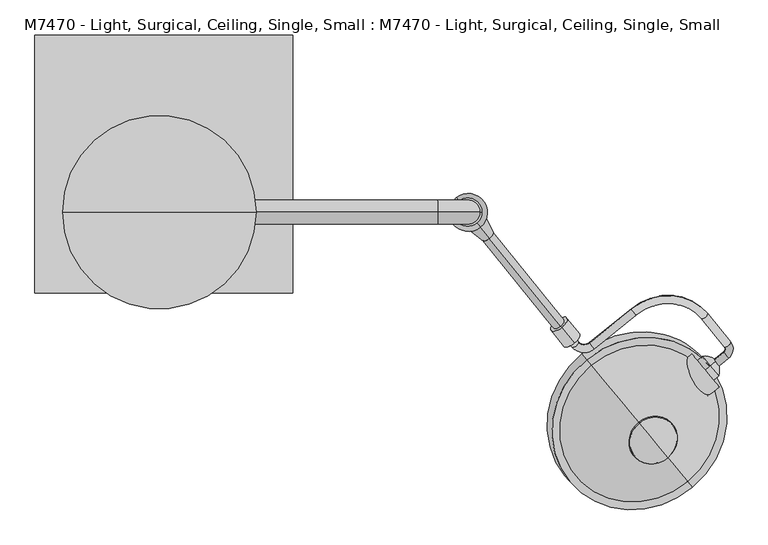
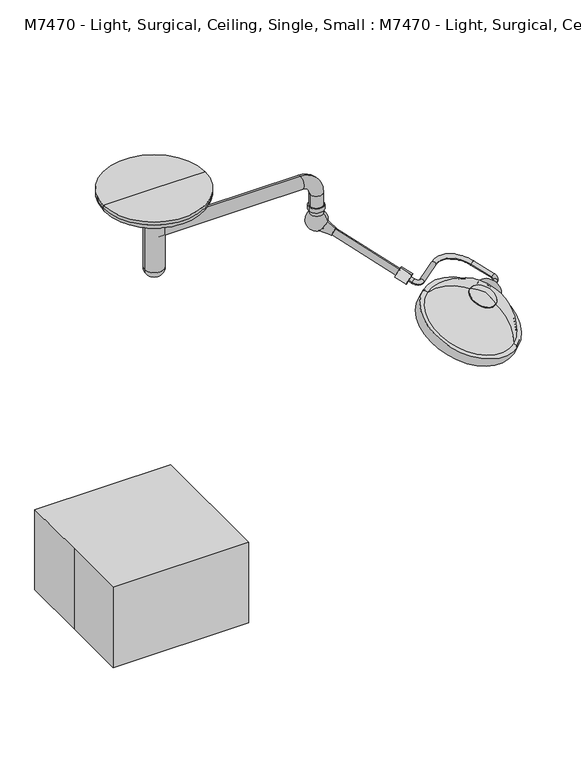
"""IFC4 building model written with IfcOpenShell, lengths in millimetres: proxy geometry, M7470 - Light, Surgical, Ceiling, Single, Small : M7470 - Light, Surgical, Ceiling, Single, Small."""

from ifc_helpers import new_model, si_unit, point, frame, frame_2d, origin, origin_with_axes, origin_2d, place, context, project, spatial, polyline, circle_curve, ellipse_curve, trimmed, segment, composite_curve, outline, extrude, source, transform, mapped, element, save
from ifc_brep_helpers import plane_surface, cylinder_surface, revolved_surface, advanced_brep


def m7470_light_surgical_ceiling_single_small_m7470_light_8515c7d7(model_context):
    return source(origin(), model_context, "Body", "SolidModel", [
        advanced_brep(
        [(1740.835031, -642.2802758, 1801.3604265), (1726.2322463, -624.2473385, 1811.6915373), (1777.4892739, -612.5982552, 1801.3604265), (1762.8864892, -594.5653179, 1811.6915373), (1765.4548505, -577.5564802, 1816.8570926), (1785.194358, -561.5717423, 1816.8570926), (1712.7149421, -472.0671177, 1868.1344952), (1692.9754347, -488.0518556, 1868.1344952), (1486.9216817, -475.7626592, 1930.1211596), (1472.318897, -457.7297218, 1940.4522704), (1340.6688003, -564.3378681, 1940.4522704), (1355.271585, -582.3708055, 1930.1211596), (1286.5870007, -578.2744067, 1950.7833811), (1306.3265081, -562.2896687, 1950.7833811), (1251.0372497, -494.0131207, 1989.8991704), (1231.2977423, -509.9978587, 1989.8991704)],
        [
            (0, 1, circle_curve(frame((1733.5336387, -633.2638072, 1806.5259819), z_axis=(-0.7771459614569791, -0.6293203910498274, 0.0), x_axis=(-0.5749127846454346, 0.7099581630143152, 0.4067366430758006)), 12.7)),
            (1, 0, circle_curve(frame((1733.5336387, -633.2638072, 1806.5259819), z_axis=(-0.7771459614569791, -0.6293203910498274, 0.0), x_axis=(-0.5749127846454346, 0.7099581630143152, 0.4067366430758006)), 12.7)),
            (0, 2),
            (2, 3, circle_curve(frame((1770.1878816, -603.5817865, 1806.5259819), z_axis=(-0.7771459614569791, -0.6293203910498274, 0.0), x_axis=(-0.5749127846454346, 0.7099581630143152, 0.4067366430758006)), 12.7)),
            (3, 1),
            (3, 2, circle_curve(frame((1770.1878816, -603.5817865, 1806.5259819), z_axis=(-0.7771459614569791, -0.6293203910498274, 0.0), x_axis=(-0.5749127846454346, 0.7099581630143152, 0.4067366430758006)), 12.7)),
            (4, 3, circle_curve(frame((1755.5850968, -585.5488492, 1816.8570926), z_axis=(-0.2559676632747577, 0.31609373954292624, -0.9135454576426008), x_axis=(0.5749127846454357, -0.7099581630143145, -0.4067366430758004)), 12.7)),
            (2, 5, circle_curve(frame((1755.5850968, -585.5488492, 1816.8570926), z_axis=(0.2559676632747577, -0.31609373954292624, 0.9135454576426008), x_axis=(0.5749127846454357, -0.7099581630143145, -0.4067366430758004)), 38.1)),
            (5, 4, circle_curve(frame((1775.3246043, -569.5641113, 1816.8570926), z_axis=(0.5749127846454273, -0.7099581630143211, -0.4067366430758006), x_axis=(-0.7771459614569844, -0.629320391049821, 0.0)), 12.7)),
            (4, 5, circle_curve(frame((1775.3246043, -569.5641113, 1816.8570926), z_axis=(0.5749127846454438, -0.7099581630143077, -0.4067366430758006), x_axis=(-0.7771459614569722, -0.6293203910498361, 0.0)), 12.7)),
            (5, 6),
            (6, 7, circle_curve(frame((1702.8451884, -480.0594867, 1868.1344952), z_axis=(0.5749127846454349, -0.7099581630143149, -0.4067366430758006), x_axis=(-0.7771459614569787, -0.6293203910498277, 0.0)), 12.7)),
            (7, 4),
            (7, 6, circle_curve(frame((1702.8451884, -480.0594867, 1868.1344952), z_axis=(0.5749127846454349, -0.7099581630143149, -0.4067366430758006), x_axis=(-0.7771459614569787, -0.6293203910498277, 0.0)), 12.7)),
            (8, 7, circle_curve(frame((1574.5383901, -583.9602832, 1868.1344952), z_axis=(-0.2559676632747577, 0.31609373954292624, -0.9135454576426008), x_axis=(0.7771459614569839, 0.6293203910498216, 0.0)), 152.4)),
            (6, 9, circle_curve(frame((1574.5383901, -583.9602832, 1868.1344952), z_axis=(0.2559676632747577, -0.31609373954292624, 0.9135454576426008), x_axis=(0.7771459614569839, 0.6293203910498216, 0.0)), 177.8)),
            (9, 8, circle_curve(frame((1479.6202894, -466.7461905, 1935.286715), z_axis=(0.7771459614569787, 0.6293203910498281, 0.0), x_axis=(0.5749127846454355, -0.7099581630143151, -0.4067366430758002)), 12.7)),
            (8, 9, circle_curve(frame((1479.6202894, -466.7461905, 1935.286715), z_axis=(0.7771459614569777, 0.6293203910498293, 0.0), x_axis=(0.5749127846454369, -0.709958163014314, -0.4067366430758002)), 12.7)),
            (9, 10),
            (10, 11, circle_curve(frame((1347.9701926, -573.3543368, 1935.286715), z_axis=(0.777145961456978, 0.629320391049829, 0.0), x_axis=(0.5749127846454363, -0.7099581630143141, -0.40673664307580015)), 12.7)),
            (11, 8),
            (11, 10, circle_curve(frame((1347.9701926, -573.3543368, 1935.286715), z_axis=(0.777145961456978, 0.629320391049829, 0.0), x_axis=(0.5749127846454363, -0.7099581630143141, -0.40673664307580015)), 12.7)),
            (12, 11, circle_curve(frame((1326.0660155, -546.3049308, 1950.7833811), z_axis=(0.2559676632747577, -0.31609373954292624, 0.9135454576426008), x_axis=(0.5749127846454407, -0.7099581630143105, -0.4067366430758004)), 50.8)),
            (10, 13, circle_curve(frame((1326.0660155, -546.3049308, 1950.7833811), z_axis=(-0.2559676632747577, 0.31609373954292624, -0.9135454576426008), x_axis=(0.5749127846454407, -0.7099581630143105, -0.4067366430758004)), 25.4)),
            (13, 12, circle_curve(frame((1296.4567544, -570.2820377, 1950.7833811), z_axis=(0.5749127846454324, -0.709958163014317, -0.40673664307580076), x_axis=(-0.7771459614569808, -0.6293203910498256, 0.0)), 12.7)),
            (12, 13, circle_curve(frame((1296.4567544, -570.2820377, 1950.7833811), z_axis=(0.5749127846454386, -0.709958163014312, -0.40673664307580076), x_axis=(-0.7771459614569762, -0.6293203910498313, 0.0)), 12.7)),
            (14, 15, circle_curve(frame((1241.167496, -502.0054897, 1989.8991704), z_axis=(-0.5749127846454376, 0.709958163014313, 0.40673664307580026), x_axis=(-0.7771459614569768, -0.6293203910498301, 0.0)), 12.7)),
            (15, 14, circle_curve(frame((1241.167496, -502.0054897, 1989.8991704), z_axis=(-0.5749127846454376, 0.709958163014313, 0.40673664307580026), x_axis=(-0.7771459614569768, -0.6293203910498301, 0.0)), 12.7)),
            (13, 14),
            (15, 12),
        ],
        [
            plane_surface(frame((1306.7585861, -106.2405083, 283.3710423), z_axis=(-0.7771459614569792, -0.6293203910498274, 0.0), x_axis=(0.2559676632747576, -0.3160937395429264, 0.9135454576426009))),
            cylinder_surface(frame((1733.5336387, -633.2638072, 1806.5259819), z_axis=(-0.7771459614569791, -0.6293203910498274, 0.0), x_axis=(-0.5749127846454346, 0.7099581630143152, 0.4067366430758006)), 12.7),
            revolved_surface(trimmed(ellipse_curve(frame((1770.1878816, -603.5817865, 1806.5259819), z_axis=(-0.7771459614569786, -0.6293203910498283, 0.0), x_axis=(-0.5749127846454356, 0.7099581630143144, 0.40673664307580065)), 12.7, 12.7), [point((1777.4892739, -612.5982552, 1801.3604265))], [point((1762.8864892, -594.5653179, 1811.6915373))], True, "CARTESIAN"), (1328.8100443, -58.5255503, 293.7021531), (0.25596766327475773, -0.3160937395429263, 0.913545457642601)),
            revolved_surface(trimmed(ellipse_curve(frame((1770.1878816, -603.5817865, 1806.5259819), z_axis=(-0.7771459614569786, -0.6293203910498283, 0.0), x_axis=(-0.5749127846454356, 0.7099581630143144, 0.40673664307580065)), 12.7, 12.7), [point((1762.8864892, -594.5653179, 1811.6915373))], [point((1777.4892739, -612.5982552, 1801.3604265))], True, "CARTESIAN"), (1328.8100443, -58.5255503, 293.7021531), (0.25596766327475773, -0.3160937395429263, 0.913545457642601)),
            cylinder_surface(frame((1775.3246043, -569.5641113, 1816.8570926), z_axis=(0.5749127846454349, -0.7099581630143149, -0.4067366430758006), x_axis=(-0.7771459614569787, -0.6293203910498277, 0.0)), 12.7),
            revolved_surface(trimmed(ellipse_curve(frame((1702.8451884, -480.0594867, 1868.1344952), z_axis=(0.5749127846454286, -0.7099581630143204, -0.4067366430758008), x_axis=(-0.7771459614569836, -0.629320391049822, 0.0)), 12.7, 12.7), [point((1712.7149421, -472.0671177, 1868.1344952))], [point((1692.9754347, -488.0518556, 1868.1344952))], True, "CARTESIAN"), (1147.7633376, -56.9369844, 344.9795556), (0.25596766327475773, -0.3160937395429263, 0.913545457642601)),
            revolved_surface(trimmed(ellipse_curve(frame((1702.8451884, -480.0594867, 1868.1344952), z_axis=(0.5749127846454286, -0.7099581630143204, -0.4067366430758008), x_axis=(-0.7771459614569836, -0.629320391049822, 0.0)), 12.7, 12.7), [point((1692.9754347, -488.0518556, 1868.1344952))], [point((1712.7149421, -472.0671177, 1868.1344952))], True, "CARTESIAN"), (1147.7633376, -56.9369844, 344.9795556), (0.25596766327475773, -0.3160937395429263, 0.913545457642601)),
            cylinder_surface(frame((1479.6202894, -466.7461905, 1935.286715), z_axis=(0.7771459614569778, 0.6293203910498288, 0.0), x_axis=(0.5749127846454363, -0.7099581630143141, -0.40673664307580015)), 12.7),
            revolved_surface(trimmed(ellipse_curve(frame((1347.9701926, -573.3543368, 1935.286715), z_axis=(0.7771459614569747, 0.6293203910498332, 0.0), x_axis=(0.5749127846454408, -0.7099581630143106, -0.4067366430758001)), 12.7, 12.7), [point((1340.6688003, -564.3378681, 1940.4522704))], [point((1355.271585, -582.3708055, 1930.1211596))], True, "CARTESIAN"), (899.290963, -19.2816319, 427.6284415), (-0.25596766327475773, 0.3160937395429263, -0.913545457642601)),
            revolved_surface(trimmed(ellipse_curve(frame((1347.9701926, -573.3543368, 1935.286715), z_axis=(0.7771459614569747, 0.6293203910498332, 0.0), x_axis=(0.5749127846454408, -0.7099581630143106, -0.4067366430758001)), 12.7, 12.7), [point((1355.271585, -582.3708055, 1930.1211596))], [point((1340.6688003, -564.3378681, 1940.4522704))], True, "CARTESIAN"), (899.290963, -19.2816319, 427.6284415), (-0.25596766327475773, 0.3160937395429263, -0.913545457642601)),
            plane_surface(frame((814.3924435, 25.0178092, 466.7442308), z_axis=(-0.5749127846454375, 0.7099581630143134, 0.40673664307580004), x_axis=(0.2559676632747577, -0.3160937395429258, 0.9135454576426011))),
            cylinder_surface(frame((1296.4567544, -570.2820377, 1950.7833811), z_axis=(0.5749127846454375, -0.7099581630143129, -0.40673664307580015), x_axis=(-0.7771459614569768, -0.6293203910498301, 0.0)), 12.7),
        ],
        [
            (0, [[1, 2]]),
            (1, [[-1, 3, 4, 5]]),
            (1, [[-2, -5, 6, -3]]),
            (2, [[7, -4, 8, 9]]),
            (3, [[-8, -6, -7, 10]]),
            (4, [[-9, 11, 12, 13]]),
            (4, [[-10, -13, 14, -11]]),
            (5, [[15, -12, 16, 17]]),
            (6, [[-16, -14, -15, 18]]),
            (7, [[-17, 19, 20, 21]]),
            (7, [[-18, -21, 22, -19]]),
            (8, [[23, -20, 24, 25]]),
            (9, [[-24, -22, -23, 26]]),
            (10, [[27, 28]]),
            (11, [[-25, 29, -28, 30]]),
            (11, [[-26, -30, -27, -29]]),
        ],
    ),
        advanced_brep(
        [(1721.261074, -637.7345795, 1763.693259), (1721.261074, -637.7345795, 1844.9108067), (1705.2225201, -651.0325107, 1844.9108067), (1705.2225201, -651.0325107, 1763.693259), (1741.0506282, -621.3266083, 1804.3020328), (1705.2225201, -651.0325107, 1804.3020328)],
        [
            (0, 1, circle_curve(frame((1721.261074, -637.7345795, 1804.3020328), z_axis=(-0.7698129796821993, -0.6382695169854298, 0.0), x_axis=(0.0, 0.0, 1.0)), 40.6087738)),
            (1, 2),
            (2, 3, circle_curve(frame((1705.2225201, -651.0325107, 1804.3020328), z_axis=(0.7698129796821993, 0.6382695169854298, 0.0), x_axis=(0.0, 0.0, 1.0)), 40.6087738)),
            (3, 0),
            (1, 0, circle_curve(frame((1721.261074, -637.7345795, 1804.3020328), z_axis=(-0.7698129796821993, -0.6382695169854298, 0.0), x_axis=(0.0, 0.0, 1.0)), 40.6087738)),
            (3, 2, circle_curve(frame((1705.2225201, -651.0325107, 1804.3020328), z_axis=(0.7698129796821993, 0.6382695169854298, 0.0), x_axis=(0.0, 0.0, 1.0)), 40.6087738)),
            (4, 1, circle_curve(frame((1698.880381, -656.290923, 1798.0653606), z_axis=(0.6382695169854297, -0.7698129796821994, 0.0), x_axis=(-0.7698129796821995, -0.6382695169854296, 0.0)), 55.1337385)),
            (0, 4, circle_curve(frame((1698.880381, -656.290923, 1810.5387051), z_axis=(0.6382695169854301, -0.769812979682199, 0.0), x_axis=(-0.7698129796821991, -0.63826951698543, 0.0)), 55.1337385)),
            (2, 5),
            (5, 3),
        ],
        [
            cylinder_surface(frame((1705.2225201, -651.0325107, 1804.3020328), z_axis=(0.7698129796821993, 0.6382695169854298, 0.0), x_axis=(0.0, 0.0, 1.0)), 40.6087738),
            revolved_surface(trimmed(ellipse_curve(frame((1698.880381, -656.290923, 1798.0653606), z_axis=(-0.6382695169854297, 0.7698129796821994, 0.0), x_axis=(-0.7698129796821995, -0.6382695169854296, 0.0)), 55.1337385, 55.1337385), [point((1721.261074, -637.7345795, 1844.9108067))], [point((1741.0506282, -621.3266083, 1804.3020328))], True, "CARTESIAN"), (1705.2225201, -651.0325107, 1804.3020328), (0.7698129796821993, 0.6382695169854298, 0.0)),
            revolved_surface(trimmed(ellipse_curve(frame((1698.880381, -656.290923, 1798.0653606), z_axis=(-0.6382695169854296, 0.7698129796821995, 0.0), x_axis=(-0.7698129796821996, -0.6382695169854294, 0.0)), 55.1337385, 55.1337385), [point((1721.261074, -637.7345795, 1844.9108067))], [point((1741.0506282, -621.3266083, 1804.3020328))], True, "CARTESIAN"), (1705.2225201, -651.0325107, 1804.3020328), (0.7698129796821993, 0.6382695169854298, 0.0)),
            plane_surface(frame((1705.2225201, -651.0325107, 1804.3020328), z_axis=(-0.7698129796821992, -0.6382695169854299, 0.0), x_axis=(0.0, 0.0, 1.0))),
        ],
        [
            (0, [[1, 2, 3, 4]]),
            (0, [[5, -4, 6, -2]]),
            (1, [[7, -1, 8]]),
            (2, [[-8, -5, -7]]),
            (3, [[-3, 9, 10]]),
            (3, [[-6, -10, -9]]),
        ],
    ),
        advanced_brep(
        [(1496.9081674, -817.6344001, 1984.2946884), (1587.2262401, -926.5664779, 1921.2927814), (1549.4769053, -881.037235, 1978.868084), (1495.0601272, -815.4054901, 1981.6876662), (1587.2262401, -926.5664779, 1917.3966478), (1545.2418093, -875.9293114, 1963.9650044)],
        [
            (0, 1, circle_curve(frame((1542.0672038, -872.100439, 1952.7937349), z_axis=(0.25960760071626565, -0.31311114715211635, 0.9135454576426013), x_axis=(0.5830882179937766, -0.7032591508229892, -0.4067366430757995)), 77.4480344)),
            (1, 2, circle_curve(frame((1480.1450063, -797.4164536, 1808.1205002), z_axis=(-0.7698129796821995, -0.6382695169854299, 0.0), x_axis=(-0.6382695169854299, 0.7698129796821994, 0.0)), 202.3711557)),
            (2, 0, circle_curve(frame((1514.8788649, -839.308749, 1783.8916913), z_axis=(-0.7698129796821976, -0.6382695169854321, 0.0), x_axis=(0.42708566892083927, -0.5151054258776686, -0.7431448254773932)), 202.3711557)),
            (1, 0, circle_curve(frame((1542.0672038, -872.100439, 1952.7937349), z_axis=(0.25960760071626565, -0.31311114715211635, 0.9135454576426013), x_axis=(0.5830882179937766, -0.7032591508229892, -0.4067366430757995)), 77.4480344)),
            (3, 4, circle_curve(frame((1541.1431837, -870.985984, 1949.542157), z_axis=(0.25960760071626565, -0.31311114715211635, 0.9135454576426013), x_axis=(0.5830882179937766, -0.7032591508229892, -0.4067366430757995)), 79.0327347)),
            (4, 1),
            (0, 3),
            (4, 3, circle_curve(frame((1541.1431837, -870.985984, 1949.542157), z_axis=(0.25960760071626565, -0.31311114715211635, 0.9135454576426013), x_axis=(0.5830882179937766, -0.7032591508229892, -0.4067366430757995)), 79.0327347)),
            (5, 4, circle_curve(frame((1462.5480105, -776.192824, 1711.2195886), z_axis=(0.7698129796821995, 0.6382695169854299, 0.0), x_axis=(-0.6382695169854299, 0.7698129796821994, 0.0)), 284.0173877)),
            (3, 5, circle_curve(frame((1480.6908648, -798.0748102, 1698.5639329), z_axis=(0.7698129796821976, 0.6382695169854321, 0.0), x_axis=(0.42708566892083927, -0.5151054258776686, -0.7431448254773932)), 284.0173877)),
        ],
        [
            revolved_surface(trimmed(ellipse_curve(frame((1480.1450063, -797.4164536, 1808.1205002), z_axis=(0.7698129796821995, 0.6382695169854299, 0.0), x_axis=(-0.6382695169854299, 0.7698129796821994, 0.0)), 202.3711557, 202.3711557), [point((1549.4769053, -881.037235, 1978.868084))], [point((1587.2262401, -926.5664779, 1921.2927814))], True, "CARTESIAN"), (1516.9910853, -841.8562852, 1864.5521965), (-0.25960760071626565, 0.31311114715211635, -0.9135454576426013)),
            revolved_surface(trimmed(ellipse_curve(frame((1480.1450063, -797.4164536, 1808.1205002), z_axis=(0.7698129796821993, 0.6382695169854298, 0.0), x_axis=(-0.6382695169854298, 0.7698129796821993, 0.0)), 202.3711557, 202.3711557), [point((1549.4769053, -881.037235, 1978.868084))], [point((1587.2262401, -926.5664779, 1921.2927814))], True, "CARTESIAN"), (1516.9910853, -841.8562852, 1864.5521965), (-0.25960760071626565, 0.31311114715211635, -0.9135454576426013)),
            revolved_surface(polyline([(1587.2262401, -926.5664779, 1921.2927814), (1587.2262401, -926.5664779, 1917.3966478)]), (1516.9910853, -841.8562852, 1864.5521965), (-0.25960760071626565, 0.31311114715211635, -0.9135454576426013)),
            revolved_surface(trimmed(ellipse_curve(frame((1462.5480105, -776.192824, 1711.2195886), z_axis=(-0.7698129796821995, -0.6382695169854299, 0.0), x_axis=(-0.6382695169854299, 0.7698129796821994, 0.0)), 284.0173877, 284.0173877), [point((1587.2262401, -926.5664779, 1917.3966478))], [point((1545.2418093, -875.9293114, 1963.9650044))], True, "CARTESIAN"), (1516.9910853, -841.8562852, 1864.5521965), (-0.25960760071626565, 0.31311114715211635, -0.9135454576426013)),
            revolved_surface(trimmed(ellipse_curve(frame((1462.5480105, -776.192824, 1711.2195886), z_axis=(-0.7698129796821993, -0.6382695169854298, 0.0), x_axis=(-0.6382695169854298, 0.7698129796821993, 0.0)), 284.0173877, 284.0173877), [point((1587.2262401, -926.5664779, 1917.3966478))], [point((1545.2418093, -875.9293114, 1963.9650044))], True, "CARTESIAN"), (1516.9910853, -841.8562852, 1864.5521965), (-0.25960760071626565, 0.31311114715211635, -0.9135454576426013)),
        ],
        [
            (0, [[1, 2, 3]]),
            (1, [[4, -3, -2]]),
            (2, [[5, 6, -1, 7]]),
            (2, [[8, -7, -4, -6]]),
            (3, [[9, -5, 10]]),
            (4, [[-10, -8, -9]]),
        ],
    ),
        advanced_brep(
        [(1448.7501126, -759.5512633, 1624.4158117), (1441.3448922, -750.6198721, 1629.5813671), (1456.1553329, -768.4826545, 1619.2502563), (1451.1647669, -762.4635632, 1609.2425198), (1439.9372961, -748.922179, 1617.0743086), (1445.5510315, -755.6928711, 1613.1584142)],
        [
            (0, 1),
            (1, 2, circle_curve(frame((1448.7501126, -759.5512633, 1624.4158117), z_axis=(0.2596076007162656, -0.31311114715211635, 0.9135454576426013), x_axis=(-0.5830882179937766, 0.7032591508229892, 0.40673664307579943)), 12.7)),
            (2, 0),
            (2, 1, circle_curve(frame((1448.7501126, -759.5512633, 1624.4158117), z_axis=(0.2596076007162656, -0.31311114715211635, 0.9135454576426013), x_axis=(-0.5830882179937766, 0.7032591508229892, 0.40673664307579943)), 12.7)),
            (3, 4, circle_curve(frame((1445.5510315, -755.6928711, 1613.1584142), z_axis=(-0.2596076007162656, 0.31311114715211635, -0.9135454576426013), x_axis=(-0.5830882179937766, 0.7032591508229892, 0.40673664307579943)), 9.6275919)),
            (4, 5),
            (5, 3),
            (4, 3, circle_curve(frame((1445.5510315, -755.6928711, 1613.1584142), z_axis=(-0.2596076007162656, 0.31311114715211635, -0.9135454576426013), x_axis=(-0.5830882179937766, 0.7032591508229892, 0.40673664307579943)), 9.6275919)),
            (1, 4),
            (3, 2),
        ],
        [
            plane_surface(frame((1448.7501126, -759.5512633, 1624.4158117), z_axis=(0.25960760071626565, -0.31311114715211635, 0.9135454576426012), x_axis=(-0.5830882179937766, 0.7032591508229892, 0.40673664307579943))),
            plane_surface(frame((1445.5510315, -755.6928711, 1613.1584142), z_axis=(-0.25960760071626565, 0.31311114715211635, -0.9135454576426012), x_axis=(-0.5830882179937766, 0.7032591508229892, 0.40673664307579943))),
            revolved_surface(polyline([(1439.9372961, -748.922179, 1617.0743086), (1441.3448922, -750.6198721, 1629.5813671)]), (1475.1262448, -791.3633558, 1717.2320302), (0.2596076007162656, -0.31311114715211635, 0.9135454576426013)),
        ],
        [
            (0, [[1, 2, 3]]),
            (0, [[-3, 4, -1]]),
            (1, [[5, 6, 7]]),
            (1, [[8, -7, -6]]),
            (2, [[-2, 9, -5, 10]]),
            (2, [[-4, -10, -8, -9]]),
        ],
    ),
        advanced_brep(
        [(1475.1262448, -791.3633558, 1717.2320302), (1464.0184142, -777.966269, 1724.9803632), (1486.2340754, -804.7604427, 1709.4836971), (1459.8579431, -772.9483501, 1616.6674786), (1437.642282, -746.1541765, 1632.1641447), (1448.7501126, -759.5512633, 1624.4158117)],
        [
            (0, 1),
            (1, 2, circle_curve(frame((1475.1262448, -791.3633558, 1717.2320302), z_axis=(0.2596076007162656, -0.31311114715211635, 0.9135454576426013), x_axis=(-0.5830882179937766, 0.7032591508229892, 0.40673664307579943)), 19.05)),
            (2, 0),
            (2, 1, circle_curve(frame((1475.1262448, -791.3633558, 1717.2320302), z_axis=(0.2596076007162656, -0.31311114715211635, 0.9135454576426013), x_axis=(-0.5830882179937766, 0.7032591508229892, 0.40673664307579943)), 19.05)),
            (3, 4, circle_curve(frame((1448.7501126, -759.5512633, 1624.4158117), z_axis=(-0.2596076007162656, 0.31311114715211635, -0.9135454576426013), x_axis=(-0.5830882179937766, 0.7032591508229892, 0.40673664307579943)), 19.05)),
            (4, 5),
            (5, 3),
            (4, 3, circle_curve(frame((1448.7501126, -759.5512633, 1624.4158117), z_axis=(-0.2596076007162656, 0.31311114715211635, -0.9135454576426013), x_axis=(-0.5830882179937766, 0.7032591508229892, 0.40673664307579943)), 19.05)),
            (1, 4),
            (3, 2),
        ],
        [
            plane_surface(frame((1475.1262448, -791.3633558, 1717.2320302), z_axis=(0.25960760071626565, -0.31311114715211635, 0.9135454576426012), x_axis=(-0.5830882179937766, 0.7032591508229892, 0.40673664307579943))),
            plane_surface(frame((1448.7501126, -759.5512633, 1624.4158117), z_axis=(-0.25960760071626565, 0.31311114715211635, -0.9135454576426012), x_axis=(-0.5830882179937766, 0.7032591508229892, 0.40673664307579943))),
            cylinder_surface(frame((1475.1262448, -791.3633558, 1717.2320302), z_axis=(0.2596076007162656, -0.31311114715211635, 0.9135454576426013), x_axis=(-0.5830882179937766, 0.7032591508229892, 0.40673664307579943)), 19.05),
        ],
        [
            (0, [[1, 2, 3]]),
            (0, [[-3, 4, -1]]),
            (1, [[5, 6, 7]]),
            (1, [[8, -7, -6]]),
            (2, [[-2, 9, -5, 10]]),
            (2, [[-4, -10, -8, -9]]),
        ],
    ),
        advanced_brep(
        [(1480.0717696, -797.3281232, 1734.6350712), (1454.1534983, -766.0682539, 1752.7145149), (1505.9900409, -828.5879925, 1716.5556274), (1501.0445161, -822.6232251, 1699.1525864), (1449.2079735, -760.1034866, 1735.311474), (1475.1262448, -791.3633558, 1717.2320302)],
        [
            (0, 1),
            (1, 2, circle_curve(frame((1480.0717696, -797.3281232, 1734.6350712), z_axis=(0.2596076007162652, -0.31311114715211585, 0.9135454576426016), x_axis=(-0.5830882179937769, 0.7032591508229895, 0.4067366430757988)), 44.45)),
            (2, 0),
            (2, 1, circle_curve(frame((1480.0717696, -797.3281232, 1734.6350712), z_axis=(0.2596076007162652, -0.31311114715211585, 0.9135454576426016), x_axis=(-0.5830882179937769, 0.7032591508229895, 0.4067366430757988)), 44.45)),
            (3, 4, circle_curve(frame((1475.1262448, -791.3633558, 1717.2320302), z_axis=(-0.2596076007162652, 0.31311114715211585, -0.9135454576426016), x_axis=(-0.5830882179937769, 0.7032591508229895, 0.4067366430757988)), 44.45)),
            (4, 5),
            (5, 3),
            (4, 3, circle_curve(frame((1475.1262448, -791.3633558, 1717.2320302), z_axis=(-0.2596076007162652, 0.31311114715211585, -0.9135454576426016), x_axis=(-0.5830882179937769, 0.7032591508229895, 0.4067366430757988)), 44.45)),
            (1, 4),
            (3, 2),
        ],
        [
            plane_surface(frame((1480.0717696, -797.3281232, 1734.6350712), z_axis=(0.25960760071626526, -0.31311114715211585, 0.9135454576426016), x_axis=(-0.5830882179937769, 0.7032591508229895, 0.4067366430757988))),
            plane_surface(frame((1475.1262448, -791.3633558, 1717.2320302), z_axis=(-0.25960760071626526, 0.31311114715211585, -0.9135454576426016), x_axis=(-0.5830882179937769, 0.7032591508229895, 0.4067366430757988))),
            cylinder_surface(frame((1480.0717696, -797.3281232, 1734.6350712), z_axis=(0.2596076007162652, -0.31311114715211585, 0.9135454576426016), x_axis=(-0.5830882179937769, 0.7032591508229895, 0.4067366430757988)), 44.45),
        ],
        [
            (0, [[1, 2, 3]]),
            (0, [[-3, 4, -1]]),
            (1, [[5, 6, 7]]),
            (1, [[8, -7, -6]]),
            (2, [[-2, 9, -5, 10]]),
            (2, [[-4, -10, -8, -9]]),
        ],
    ),
        advanced_brep(
        [(1483.0837441, -800.9608473, 1745.2340505), (1449.7602524, -760.7695868, 1768.4790497), (1516.4072357, -841.1521078, 1721.9890514), (1510.3832868, -833.8866596, 1713.4910927), (1449.7602524, -760.7695868, 1755.7790497), (1480.0717696, -797.3281232, 1734.6350712)],
        [
            (0, 1),
            (1, 2, circle_curve(frame((1483.0837441, -800.9608473, 1745.2340505), z_axis=(0.25960760071626576, -0.3131111471521165, 0.9135454576426012), x_axis=(-0.5830882179937765, 0.7032591508229892, 0.40673664307579965)), 57.15)),
            (2, 0),
            (2, 1, circle_curve(frame((1483.0837441, -800.9608473, 1745.2340505), z_axis=(0.25960760071626576, -0.3131111471521165, 0.9135454576426012), x_axis=(-0.5830882179937765, 0.7032591508229892, 0.40673664307579965)), 57.15)),
            (3, 4, circle_curve(frame((1480.0717696, -797.3281232, 1734.6350712), z_axis=(-0.25960760071626576, 0.3131111471521165, -0.9135454576426012), x_axis=(-0.5830882179937765, 0.7032591508229892, 0.40673664307579965)), 51.9844446)),
            (4, 5),
            (5, 3),
            (4, 3, circle_curve(frame((1480.0717696, -797.3281232, 1734.6350712), z_axis=(-0.25960760071626576, 0.3131111471521165, -0.9135454576426012), x_axis=(-0.5830882179937765, 0.7032591508229892, 0.40673664307579965)), 51.9844446)),
            (1, 4),
            (3, 2),
        ],
        [
            plane_surface(frame((1483.0837441, -800.9608473, 1745.2340505), z_axis=(0.25960760071626576, -0.3131111471521165, 0.9135454576426012), x_axis=(-0.5830882179937765, 0.7032591508229892, 0.40673664307579965))),
            plane_surface(frame((1480.0717696, -797.3281232, 1734.6350712), z_axis=(-0.25960760071626576, 0.3131111471521165, -0.9135454576426012), x_axis=(-0.5830882179937765, 0.7032591508229892, 0.40673664307579965))),
            revolved_surface(polyline([(1449.7602524, -760.7695868, 1755.7790497), (1449.7602524, -760.7695868, 1768.4790497)]), (1483.0837441, -800.9608473, 1745.2340505), (0.25960760071626576, -0.3131111471521165, 0.9135454576426012)),
        ],
        [
            (0, [[1, 2, 3]]),
            (0, [[-3, 4, -1]]),
            (1, [[5, 6, 7]]),
            (1, [[8, -7, -6]]),
            (2, [[-2, 9, -5, 10]]),
            (2, [[-4, -10, -8, -9]]),
        ],
    ),
        extrude(outline(composite_curve([segment(polyline([(-25.1937137, -4.6953206), (31.6273953, -132.317621)]), True, "CONTINUOUS"), segment(trimmed(circle_curve(frame_2d((0.0, -69.9387006)), 69.9387006), [point((31.6273953, -132.317621))], [point((-25.1937137, -4.6953206))], False, "CARTESIAN"), True, "CONTINUOUS")], self_intersect=False)), frame((1594.6393305, -649.6721512, 1800.6600142), z_axis=(0.7698129796821992, 0.6382695169854299, 0.0), x_axis=(0.0, 0.0, -1.0)), (0.0, 0.0, 1.0), 84.2600986),
        advanced_brep(
        [(1346.1133009, -635.7616294, 1903.3370584), (1649.727336, -1001.9486693, 1691.5492884), (1545.2465329, -875.9350086, 1963.9816266), (1350.1582608, -640.640231, 1900.5154726), (1645.6823761, -997.0700677, 1694.3708742), (1543.5949178, -873.9430057, 1958.1696802)],
        [
            (0, 1, circle_curve(frame((1497.9203184, -818.8551493, 1797.4431734), z_axis=(0.2596076007162657, -0.31311114715211646, 0.9135454576426013), x_axis=(0.5830882179937766, -0.7032591508229892, -0.4067366430757996)), 260.35)),
            (1, 2, circle_curve(frame((1455.7322005, -767.972317, 1694.318951), z_axis=(-0.7698129796821995, -0.6382695169854298, 0.0), x_axis=(-0.6382695169854299, 0.7698129796821995, 0.0)), 303.9518334)),
            (2, 0, circle_curve(frame((1477.2351085, -793.9068435, 1679.3194701), z_axis=(-0.7698129796821976, -0.6382695169854323, 0.0), x_axis=(0.4270856689208392, -0.5151054258776685, -0.7431448254773935)), 303.9518334)),
            (1, 0, circle_curve(frame((1497.9203184, -818.8551493, 1797.4431734), z_axis=(0.2596076007162657, -0.31311114715211646, 0.9135454576426013), x_axis=(0.5830882179937766, -0.7032591508229892, -0.4067366430757996)), 260.35)),
            (3, 4, circle_curve(frame((1497.9203184, -818.8551493, 1797.4431734), z_axis=(0.2596076007162657, -0.31311114715211646, 0.9135454576426013), x_axis=(0.5830882179937766, -0.7032591508229892, -0.4067366430757996)), 253.412868)),
            (4, 1),
            (0, 3),
            (4, 3, circle_curve(frame((1497.9203184, -818.8551493, 1797.4431734), z_axis=(0.2596076007162657, -0.31311114715211646, 0.9135454576426013), x_axis=(0.5830882179937766, -0.7032591508229892, -0.4067366430757996)), 253.412868)),
            (5, 4, circle_curve(frame((1455.7322005, -767.972317, 1694.318951), z_axis=(0.7698129796821995, 0.6382695169854298, 0.0), x_axis=(-0.6382695169854299, 0.7698129796821995, 0.0)), 297.6018334)),
            (3, 5, circle_curve(frame((1477.2351085, -793.9068435, 1679.3194701), z_axis=(0.7698129796821976, 0.6382695169854323, 0.0), x_axis=(0.4270856689208392, -0.5151054258776685, -0.7431448254773935)), 297.6018334)),
        ],
        [
            revolved_surface(trimmed(ellipse_curve(frame((1455.7322005, -767.972317, 1694.318951), z_axis=(0.7698129796821995, 0.6382695169854298, 0.0), x_axis=(-0.6382695169854299, 0.7698129796821995, 0.0)), 303.9518334, 303.9518334), [point((1545.2465329, -875.9350086, 1963.9816266))], [point((1649.727336, -1001.9486693, 1691.5492884))], True, "CARTESIAN"), (1497.9203184, -818.8551493, 1797.4431734), (-0.2596076007162657, 0.31311114715211646, -0.9135454576426013)),
            revolved_surface(trimmed(ellipse_curve(frame((1455.7322005, -767.972317, 1694.318951), z_axis=(0.7698129796821995, 0.6382695169854299, 0.0), x_axis=(-0.6382695169854299, 0.7698129796821995, 0.0)), 303.9518334, 303.9518334), [point((1545.2465329, -875.9350086, 1963.9816266))], [point((1649.727336, -1001.9486693, 1691.5492884))], True, "CARTESIAN"), (1497.9203184, -818.8551493, 1797.4431734), (-0.2596076007162657, 0.31311114715211646, -0.9135454576426013)),
            plane_surface(frame((1497.9203184, -818.8551493, 1797.4431734), z_axis=(-0.25960760071626576, 0.31311114715211646, -0.9135454576426012), x_axis=(0.5830882179937766, -0.7032591508229892, -0.4067366430757996))),
            revolved_surface(trimmed(ellipse_curve(frame((1455.7322005, -767.972317, 1694.318951), z_axis=(-0.7698129796821995, -0.6382695169854298, 0.0), x_axis=(-0.6382695169854299, 0.7698129796821995, 0.0)), 297.6018334, 297.6018334), [point((1645.6823761, -997.0700677, 1694.3708742))], [point((1543.5949178, -873.9430057, 1958.1696802))], True, "CARTESIAN"), (1497.9203184, -818.8551493, 1797.4431734), (-0.2596076007162657, 0.31311114715211646, -0.9135454576426013)),
            revolved_surface(trimmed(ellipse_curve(frame((1455.7322005, -767.972317, 1694.318951), z_axis=(-0.7698129796821995, -0.6382695169854299, 0.0), x_axis=(-0.6382695169854299, 0.7698129796821995, 0.0)), 297.6018334, 297.6018334), [point((1645.6823761, -997.0700677, 1694.3708742))], [point((1543.5949178, -873.9430057, 1958.1696802))], True, "CARTESIAN"), (1497.9203184, -818.8551493, 1797.4431734), (-0.2596076007162657, 0.31311114715211646, -0.9135454576426013)),
        ],
        [
            (0, [[1, 2, 3]]),
            (1, [[4, -3, -2]]),
            (2, [[5, 6, -1, 7]]),
            (2, [[8, -7, -4, -6]]),
            (3, [[9, -5, 10]]),
            (4, [[-10, -8, -9]]),
        ],
    ),
        advanced_brep(
        [(1316.4662858, -600.0045449, 1861.4590463), (1649.7012024, -1001.9171496, 1629.0090547), (1664.5377767, -1019.8114517, 1681.2181777), (1331.3028602, -617.898847, 1913.6681692), (1320.168896, -604.4702405, 1858.8762686), (1645.9985922, -997.451454, 1631.5918324), (1333.3569621, -620.3762868, 1905.2843778), (1659.1866583, -1013.3575003, 1677.9999417), (1496.2718102, -816.8668936, 1791.6421598), (1497.9203184, -818.8551493, 1797.4431734)],
        [
            (0, 1, circle_curve(frame((1483.0837441, -800.9608473, 1745.2340505), z_axis=(0.2596076007162655, -0.3131111471521162, 0.9135454576426014), x_axis=(0.5830882179937767, -0.7032591508229893, -0.4067366430757992)), 285.75)),
            (1, 2),
            (2, 3, circle_curve(frame((1497.9203184, -818.8551493, 1797.4431734), z_axis=(-0.2596076007162655, 0.3131111471521162, -0.9135454576426014), x_axis=(0.5830882179937767, -0.7032591508229893, -0.4067366430757992)), 285.75)),
            (3, 0),
            (1, 0, circle_curve(frame((1483.0837441, -800.9608473, 1745.2340505), z_axis=(0.2596076007162655, -0.3131111471521162, 0.9135454576426014), x_axis=(0.5830882179937767, -0.7032591508229893, -0.4067366430757992)), 285.75)),
            (3, 2, circle_curve(frame((1497.9203184, -818.8551493, 1797.4431734), z_axis=(-0.2596076007162655, 0.3131111471521162, -0.9135454576426014), x_axis=(0.5830882179937767, -0.7032591508229893, -0.4067366430757992)), 285.75)),
            (4, 5, circle_curve(frame((1483.0837441, -800.9608473, 1745.2340505), z_axis=(0.2596076007162655, -0.3131111471521162, 0.9135454576426014), x_axis=(0.5830882179937767, -0.7032591508229893, -0.4067366430757992)), 279.4)),
            (5, 1),
            (0, 4),
            (5, 4, circle_curve(frame((1483.0837441, -800.9608473, 1745.2340505), z_axis=(0.2596076007162655, -0.3131111471521162, 0.9135454576426014), x_axis=(0.5830882179937767, -0.7032591508229893, -0.4067366430757992)), 279.4)),
            (6, 7, circle_curve(frame((1496.2718102, -816.8668936, 1791.6421598), z_axis=(0.2596076007162655, -0.3131111471521162, 0.9135454576426014), x_axis=(0.5830882179937767, -0.7032591508229893, -0.4067366430757992)), 279.4)),
            (7, 5),
            (4, 6),
            (7, 6, circle_curve(frame((1496.2718102, -816.8668936, 1791.6421598), z_axis=(0.2596076007162655, -0.3131111471521162, 0.9135454576426014), x_axis=(0.5830882179937767, -0.7032591508229893, -0.4067366430757992)), 279.4)),
            (8, 7),
            (6, 8),
            (2, 9),
            (9, 3),
        ],
        [
            cylinder_surface(frame((1483.0837441, -800.9608473, 1745.2340505), z_axis=(-0.2596076007162655, 0.3131111471521162, -0.9135454576426014), x_axis=(0.5830882179937767, -0.7032591508229893, -0.4067366430757992)), 285.75),
            plane_surface(frame((1483.0837441, -800.9608473, 1745.2340505), z_axis=(-0.2596076007162655, 0.3131111471521162, -0.9135454576426014), x_axis=(0.5830882179937767, -0.7032591508229893, -0.4067366430757992))),
            revolved_surface(polyline([(1645.9985921978723, -997.451454028378, 1631.5918323908784), (1659.1866583370233, -1013.3575003311619, 1677.9999417192307)]), (1483.0837441, -800.9608473, 1745.2340505), (-0.2596076007162655, 0.3131111471521162, -0.9135454576426014)),
            plane_surface(frame((1496.2718102, -816.8668936, 1791.6421598), z_axis=(-0.2596076007162655, 0.3131111471521162, -0.9135454576426014), x_axis=(0.5830882179937767, -0.7032591508229893, -0.4067366430757992))),
            plane_surface(frame((1497.9203184, -818.8551493, 1797.4431734), z_axis=(0.2596076007162655, -0.3131111471521162, 0.9135454576426014), x_axis=(0.5830882179937767, -0.7032591508229893, -0.4067366430757992))),
        ],
        [
            (0, [[1, 2, 3, 4]]),
            (0, [[5, -4, 6, -2]]),
            (1, [[7, 8, -1, 9]]),
            (1, [[10, -9, -5, -8]]),
            (2, [[11, 12, -7, 13]]),
            (2, [[14, -13, -10, -12]]),
            (3, [[15, -11, 16]]),
            (3, [[-16, -14, -15]]),
            (4, [[-3, 17, 18]]),
            (4, [[-6, -18, -17]]),
        ],
    ),
        advanced_brep(
        [(1235.7366669, -495.2989743, 1958.9919398), (1252.6252723, -516.1546651, 2016.5424843), (1244.1809696, -505.7268197, 1987.767212), (1275.5761712, -544.4966648, 1929.4720542), (1292.4647766, -565.3523556, 1987.0225987), (1284.0204739, -554.9245102, 1958.2473264)],
        [
            (0, 1, circle_curve(frame((1244.1809696, -505.7268197, 1987.767212), z_axis=(-0.5703579709494108, 0.7043334365325427, 0.42261826174069883), x_axis=(0.265962289743456, -0.32843607534975183, 0.9063077870366504)), 31.75)),
            (1, 2),
            (2, 0),
            (1, 0, circle_curve(frame((1244.1809696, -505.7268197, 1987.767212), z_axis=(-0.5703579709494108, 0.7043334365325427, 0.42261826174069883), x_axis=(0.265962289743456, -0.32843607534975183, 0.9063077870366504)), 31.75)),
            (3, 4, circle_curve(frame((1284.0204739, -554.9245102, 1958.2473264), z_axis=(-0.5703579709494108, 0.7043334365325427, 0.42261826174069883), x_axis=(0.265962289743456, -0.32843607534975183, 0.9063077870366504)), 31.75)),
            (4, 1),
            (0, 3),
            (4, 3, circle_curve(frame((1284.0204739, -554.9245102, 1958.2473264), z_axis=(-0.5703579709494108, 0.7043334365325427, 0.42261826174069883), x_axis=(0.265962289743456, -0.32843607534975183, 0.9063077870366504)), 31.75)),
            (5, 4),
            (3, 5),
        ],
        [
            plane_surface(frame((1244.1809696, -505.7268197, 1987.767212), z_axis=(-0.5703579709494109, 0.7043334365325429, 0.42261826174069894), x_axis=(0.265962289743456, -0.32843607534975183, 0.9063077870366504))),
            cylinder_surface(frame((1244.1809696, -505.7268197, 1987.767212), z_axis=(0.5703579709494108, -0.7043334365325427, -0.42261826174069883), x_axis=(0.265962289743456, -0.32843607534975183, 0.9063077870366504)), 31.75),
            plane_surface(frame((1284.0204739, -554.9245102, 1958.2473264), z_axis=(0.5703579709494109, -0.7043334365325429, -0.42261826174069894), x_axis=(0.265962289743456, -0.32843607534975183, 0.9063077870366504))),
        ],
        [
            (0, [[1, 2, 3]]),
            (0, [[4, -3, -2]]),
            (1, [[5, 6, -1, 7]]),
            (1, [[8, -7, -4, -6]]),
            (2, [[9, -5, 10]]),
            (2, [[-10, -8, -9]]),
        ],
    ),
        extrude(outline(composite_curve([segment(trimmed(circle_curve(origin_2d(), 20.2288163), [point((0.0, -20.2288163))], [point((0.0, 20.2288163))], False, "CARTESIAN"), True, "CONTINUOUS"), segment(trimmed(circle_curve(origin_2d(), 20.2288163), [point((0.0, 20.2288163))], [point((0.0, -20.2288163))], False, "CARTESIAN"), True, "CONTINUOUS")], self_intersect=False)), frame((1244.1809696, -505.7268197, 1987.767212), z_axis=(-0.5703579709494108, 0.7043334365325428, 0.4226182617406986), x_axis=(0.777145961456977, 0.62932039104983, 0.0)), (0.0, 0.0, 1.0), 393.7),
        advanced_brep(
        [(976.8515115, -175.602432, 2183.0066897), (967.849194, -164.4854957, 2149.3066358), (985.8538291, -186.7193684, 2216.7067436), (1024.9063629, -234.9452313, 2173.9001347), (1014.35571, -221.9162601, 2134.4039086), (1019.6310364, -228.4307457, 2154.1520217)],
        [
            (0, 1),
            (1, 2, circle_curve(frame((976.8515115, -175.602432, 2183.0066897), z_axis=(-0.5792924743379562, 0.7153666293621104, 0.3907311284892742), x_axis=(-0.24589506657621132, 0.3036551185209666, -0.9205048534524403)), 36.6104033)),
            (2, 0),
            (2, 1, circle_curve(frame((976.8515115, -175.602432, 2183.0066897), z_axis=(-0.5792924743379562, 0.7153666293621104, 0.3907311284892742), x_axis=(-0.24589506657621132, 0.3036551185209666, -0.9205048534524403)), 36.6104033)),
            (3, 4, circle_curve(frame((1019.6310364, -228.4307457, 2154.1520217), z_axis=(0.5792924743379562, -0.7153666293621104, -0.3907311284892742), x_axis=(-0.24589506657621132, 0.3036551185209666, -0.9205048534524403)), 21.4535676)),
            (4, 5),
            (5, 3),
            (4, 3, circle_curve(frame((1019.6310364, -228.4307457, 2154.1520217), z_axis=(0.5792924743379562, -0.7153666293621104, -0.3907311284892742), x_axis=(-0.24589506657621132, 0.3036551185209666, -0.9205048534524403)), 21.4535676)),
            (1, 4),
            (3, 2),
        ],
        [
            plane_surface(frame((976.8515115, -175.602432, 2183.0066897), z_axis=(-0.5792924743379563, 0.7153666293621104, 0.3907311284892742), x_axis=(-0.24589506657621132, 0.3036551185209666, -0.9205048534524403))),
            plane_surface(frame((1019.6310364, -228.4307457, 2154.1520217), z_axis=(0.5792924743379563, -0.7153666293621104, -0.3907311284892742), x_axis=(-0.24589506657621132, 0.3036551185209666, -0.9205048534524403))),
            revolved_surface(polyline([(1014.35571, -221.9162601, 2134.4039086), (967.849194, -164.4854957, 2149.3066358)]), (990.2029787, -192.0901209, 2174.001163), (-0.579292474337956, 0.7153666293621103, 0.3907311284892741)),
        ],
        [
            (0, [[1, 2, 3]]),
            (0, [[-3, 4, -1]]),
            (1, [[5, 6, 7]]),
            (1, [[8, -7, -6]]),
            (2, [[-2, 9, -5, 10]]),
            (2, [[-4, -10, -8, -9]]),
        ],
    ),
        advanced_brep(
        [(959.0523183, -153.6222589, 2277.562195), (935.0752114, -124.0129978, 2277.562195), (983.0294252, -183.23152, 2277.562195), (983.0294252, -183.23152, 2251.7869575), (935.0752114, -124.0129978, 2251.7869575), (959.0523183, -153.6222589, 2145.7286543)],
        [
            (0, 1),
            (1, 2, circle_curve(frame((959.0523183, -153.6222589, 2277.562195), z_axis=(0.0, 0.0, 1.0), x_axis=(-0.6293203910498301, 0.777145961456977, 0.0)), 38.1)),
            (2, 0),
            (2, 1, circle_curve(frame((959.0523183, -153.6222589, 2277.562195), z_axis=(0.0, 0.0, 1.0), x_axis=(-0.6293203910498301, 0.777145961456977, 0.0)), 38.1)),
            (3, 4, circle_curve(frame((959.0523183, -153.6222589, 2251.7869575), z_axis=(0.0, 0.0, -1.0), x_axis=(-0.6293203910498301, 0.777145961456977, 0.0)), 38.1)),
            (4, 5, circle_curve(frame((959.0523183, -153.6222589, 2205.6012588), z_axis=(-0.7771459614569771, -0.62932039104983, 0.0), x_axis=(-0.62932039104983, 0.7771459614569771, 0.0)), 59.8726045)),
            (5, 3, circle_curve(frame((959.0523183, -153.6222589, 2205.6012588), z_axis=(-0.7771459614569791, -0.6293203910498274, 0.0), x_axis=(0.6293203910498274, -0.7771459614569791, 0.0)), 59.8726045)),
            (4, 3, circle_curve(frame((959.0523183, -153.6222589, 2251.7869575), z_axis=(0.0, 0.0, -1.0), x_axis=(-0.6293203910498301, 0.777145961456977, 0.0)), 38.1)),
            (1, 4),
            (3, 2),
        ],
        [
            plane_surface(frame((959.0523183, -153.6222589, 2277.562195), z_axis=(0.0, 0.0, 1.0000000000000002), x_axis=(-0.6293203910498301, 0.777145961456977, 0.0))),
            revolved_surface(trimmed(ellipse_curve(frame((959.0523183, -153.6222589, 2205.6012588), z_axis=(0.7771459614569771, 0.62932039104983, 0.0), x_axis=(-0.62932039104983, 0.7771459614569771, 0.0)), 59.8726045, 59.8726045), [point((959.0523183, -153.6222589, 2145.7286543))], [point((935.0752114, -124.0129978, 2251.7869575))], True, "CARTESIAN"), (959.0523183, -153.6222589, 2277.562195), (0.0, 0.0, 1.0)),
            cylinder_surface(frame((959.0523183, -153.6222589, 2277.562195), z_axis=(0.0, 0.0, 1.0), x_axis=(-0.6293203910498301, 0.777145961456977, 0.0)), 38.1),
        ],
        [
            (0, [[1, 2, 3]]),
            (0, [[-3, 4, -1]]),
            (1, [[5, 6, 7]]),
            (1, [[8, -7, -6]]),
            (2, [[-2, 9, -5, 10]]),
            (2, [[-4, -10, -8, -9]]),
        ],
    ),
        advanced_brep(
        [(912.6181725, -152.4, 2277.562195), (1001.5181725, -152.4, 2277.562195), (957.0681725, -152.4, 2277.562195), (912.6181725, -152.4, 2302.962195), (1001.5181725, -152.4, 2302.962195), (957.0681725, -152.4, 2302.962195)],
        [
            (0, 1, circle_curve(frame((957.0681725, -152.4, 2277.562195), z_axis=(0.0, 0.0, -1.0), x_axis=(1.0, 0.0, 0.0)), 44.45)),
            (1, 2),
            (2, 0),
            (1, 0, circle_curve(frame((957.0681725, -152.4, 2277.562195), z_axis=(0.0, 0.0, -1.0), x_axis=(1.0, 0.0, 0.0)), 44.45)),
            (3, 4, circle_curve(frame((957.0681725, -152.4, 2302.962195), z_axis=(0.0, 0.0, -1.0), x_axis=(1.0, 0.0, 0.0)), 44.45)),
            (4, 1),
            (0, 3),
            (4, 3, circle_curve(frame((957.0681725, -152.4, 2302.962195), z_axis=(0.0, 0.0, -1.0), x_axis=(1.0, 0.0, 0.0)), 44.45)),
            (5, 4),
            (3, 5),
        ],
        [
            plane_surface(frame((957.0681725, -152.4, 2277.562195), z_axis=(0.0, 0.0, -1.0), x_axis=(1.0, 0.0, 0.0))),
            cylinder_surface(frame((957.0681725, -152.4, 2302.962195), z_axis=(0.0, 0.0, 1.0), x_axis=(1.0, 0.0, 0.0)), 44.45),
            plane_surface(frame((957.0681725, -152.4, 2302.962195), z_axis=(0.0, 0.0, 1.0), x_axis=(1.0, 0.0, 0.0))),
        ],
        [
            (0, [[1, 2, 3]]),
            (0, [[4, -3, -2]]),
            (1, [[5, 6, -1, 7]]),
            (1, [[8, -7, -4, -6]]),
            (2, [[9, -5, 10]]),
            (2, [[-10, -8, -9]]),
        ],
    ),
        advanced_brep(
        [(0.0, -152.4, 2436.312195), (0.0, -152.4, 2512.512195), (861.8181725, -152.4, 2436.312195), (861.8181725, -152.4, 2512.512195), (995.1681725, -152.4, 2379.162195), (918.9681725, -152.4, 2379.162195), (918.9681725, -152.4, 2302.962195), (995.1681725, -152.4, 2302.962195)],
        [
            (0, 1, circle_curve(frame((0.0, -152.4, 2474.412195), z_axis=(-1.0, 0.0, 0.0), x_axis=(0.0, 0.0, 1.0)), 38.1)),
            (1, 0, circle_curve(frame((0.0, -152.4, 2474.412195), z_axis=(-1.0, 0.0, 0.0), x_axis=(0.0, 0.0, 1.0)), 38.1)),
            (0, 2),
            (2, 3, circle_curve(frame((861.8181725, -152.4, 2474.412195), z_axis=(-1.0, 0.0, 0.0), x_axis=(0.0, 0.0, 1.0)), 38.1)),
            (3, 1),
            (3, 2, circle_curve(frame((861.8181725, -152.4, 2474.412195), z_axis=(-1.0, 0.0, 0.0), x_axis=(0.0, 0.0, 1.0)), 38.1)),
            (4, 3, circle_curve(frame((861.8181725, -152.4, 2379.162195), z_axis=(0.0, -1.0, 0.0), x_axis=(0.0, 0.0, 1.0)), 133.35)),
            (2, 5, circle_curve(frame((861.8181725, -152.4, 2379.162195), z_axis=(0.0, 1.0, 0.0), x_axis=(0.0, 0.0, 1.0)), 57.15)),
            (5, 4, circle_curve(frame((957.0681725, -152.4, 2379.162195), z_axis=(0.0, 0.0, 1.0), x_axis=(1.0, 0.0, 0.0)), 38.1)),
            (4, 5, circle_curve(frame((957.0681725, -152.4, 2379.162195), z_axis=(0.0, 0.0, 1.0), x_axis=(1.0, 0.0, 0.0)), 38.1)),
            (6, 7, circle_curve(frame((957.0681725, -152.4, 2302.962195), z_axis=(0.0, 0.0, -1.0), x_axis=(1.0, 0.0, 0.0)), 38.1)),
            (7, 6, circle_curve(frame((957.0681725, -152.4, 2302.962195), z_axis=(0.0, 0.0, -1.0), x_axis=(1.0, 0.0, 0.0)), 38.1)),
            (5, 6),
            (7, 4),
        ],
        [
            plane_surface(frame((0.0, -152.4, 2474.412195), z_axis=(-1.0, 0.0, 0.0), x_axis=(0.0, -1.0, 0.0))),
            cylinder_surface(frame((0.0, -152.4, 2474.412195), z_axis=(-1.0, 0.0, 0.0), x_axis=(0.0, 0.0, 1.0)), 38.1),
            revolved_surface(trimmed(ellipse_curve(frame((861.8181725, -152.4, 2474.412195), z_axis=(-1.0, 0.0, 0.0), x_axis=(0.0, 0.0, 1.0)), 38.1, 38.1), [point((861.8181725, -152.4, 2436.312195))], [point((861.8181725, -152.4, 2512.512195))], True, "CARTESIAN"), (861.8181725, -152.4, 2379.162195), (0.0, 1.0, 0.0)),
            revolved_surface(trimmed(ellipse_curve(frame((861.8181725, -152.4, 2474.412195), z_axis=(-1.0, 0.0, 0.0), x_axis=(0.0, 0.0, 1.0)), 38.1, 38.1), [point((861.8181725, -152.4, 2512.512195))], [point((861.8181725, -152.4, 2436.312195))], True, "CARTESIAN"), (861.8181725, -152.4, 2379.162195), (0.0, 1.0, 0.0)),
            plane_surface(frame((957.0681725, -152.4, 2302.962195), z_axis=(0.0, 0.0, -1.0), x_axis=(0.0, -1.0, 0.0))),
            cylinder_surface(frame((957.0681725, -152.4, 2379.162195), z_axis=(0.0, 0.0, 1.0), x_axis=(1.0, 0.0, 0.0)), 38.1),
        ],
        [
            (0, [[1, 2]]),
            (1, [[-1, 3, 4, 5]]),
            (1, [[-2, -5, 6, -3]]),
            (2, [[7, -4, 8, 9]]),
            (3, [[-8, -6, -7, 10]]),
            (4, [[11, 12]]),
            (5, [[-9, 13, -12, 14]]),
            (5, [[-10, -14, -11, -13]]),
        ],
    ),
        advanced_brep(
        [(-14.387671, -152.4, 2700.8770044), (42.762329, -152.4, 2700.8770044), (-71.537671, -152.4, 2700.8770044), (-20.737671, -152.4, 2197.0921178), (-8.037671, -152.4, 2197.0921178), (-14.387671, -152.4, 2197.0921178), (-71.537671, -152.4, 2247.8921178), (42.762329, -152.4, 2247.8921178)],
        [
            (0, 1),
            (1, 2, circle_curve(frame((-14.387671, -152.4, 2700.8770044), z_axis=(0.0, 0.0, 1.0), x_axis=(1.0, 0.0, 0.0)), 57.15)),
            (2, 0),
            (2, 1, circle_curve(frame((-14.387671, -152.4, 2700.8770044), z_axis=(0.0, 0.0, 1.0), x_axis=(1.0, 0.0, 0.0)), 57.15)),
            (3, 4, circle_curve(frame((-14.387671, -152.4, 2197.0921178), z_axis=(0.0, 0.0, -1.0), x_axis=(1.0, 0.0, 0.0)), 6.35)),
            (4, 5),
            (5, 3),
            (4, 3, circle_curve(frame((-14.387671, -152.4, 2197.0921178), z_axis=(0.0, 0.0, -1.0), x_axis=(1.0, 0.0, 0.0)), 6.35)),
            (6, 7, circle_curve(frame((-14.387671, -152.4, 2247.8921178), z_axis=(0.0, 0.0, -1.0), x_axis=(1.0, 0.0, 0.0)), 57.15)),
            (7, 4, circle_curve(frame((-8.037671, -152.4, 2247.8921178), z_axis=(0.0, 1.0, 0.0), x_axis=(1.0, 0.0, 0.0)), 50.8)),
            (3, 6, circle_curve(frame((-20.737671, -152.4, 2247.8921178), z_axis=(0.0, 1.0, 0.0), x_axis=(-1.0, 0.0, 0.0)), 50.8)),
            (7, 6, circle_curve(frame((-14.387671, -152.4, 2247.8921178), z_axis=(0.0, 0.0, -1.0), x_axis=(1.0, 0.0, 0.0)), 57.15)),
            (1, 7),
            (6, 2),
        ],
        [
            plane_surface(frame((-14.387671, -152.4, 2700.8770044), z_axis=(0.0, 0.0, 1.0), x_axis=(1.0, 0.0, 0.0))),
            plane_surface(frame((-14.387671, -152.4, 2197.0921178), z_axis=(0.0, 0.0, -1.0), x_axis=(1.0, 0.0, 0.0))),
            revolved_surface(trimmed(ellipse_curve(frame((-8.037671, -152.4, 2247.8921178), z_axis=(0.0, -1.0, 0.0), x_axis=(1.0, 0.0, 0.0)), 50.8, 50.8), [point((-8.037671, -152.4, 2197.0921178))], [point((42.762329, -152.4, 2247.8921178))], True, "CARTESIAN"), (-14.387671, -152.4, 2666.9921178), (0.0, 0.0, 1.0)),
            cylinder_surface(frame((-14.387671, -152.4, 2666.9921178), z_axis=(0.0, 0.0, 1.0), x_axis=(1.0, 0.0, 0.0)), 57.15),
        ],
        [
            (0, [[1, 2, 3]]),
            (0, [[-3, 4, -1]]),
            (1, [[5, 6, 7]]),
            (1, [[8, -7, -6]]),
            (2, [[9, 10, -5, 11]]),
            (2, [[12, -11, -8, -10]]),
            (3, [[-2, 13, -9, 14]]),
            (3, [[-4, -14, -12, -13]]),
        ],
    ),
        advanced_brep(
        [(-14.4818275, -152.4, 2743.2), (290.3181725, -152.4, 2743.2), (-319.2818275, -152.4, 2743.2), (-281.1818275, -152.4, 2686.05), (252.2181725, -152.4, 2686.05), (-14.4818275, -152.4, 2686.05), (-319.2818275, -152.4, 2724.15), (290.3181725, -152.4, 2724.15)],
        [
            (0, 1),
            (1, 2, circle_curve(frame((-14.4818275, -152.4, 2743.2), z_axis=(0.0, 0.0, 1.0), x_axis=(1.0, 0.0, 0.0)), 304.8)),
            (2, 0),
            (2, 1, circle_curve(frame((-14.4818275, -152.4, 2743.2), z_axis=(0.0, 0.0, 1.0), x_axis=(1.0, 0.0, 0.0)), 304.8)),
            (3, 4, circle_curve(frame((-14.4818275, -152.4, 2686.05), z_axis=(0.0, 0.0, -1.0), x_axis=(1.0, 0.0, 0.0)), 266.7)),
            (4, 5),
            (5, 3),
            (4, 3, circle_curve(frame((-14.4818275, -152.4, 2686.05), z_axis=(0.0, 0.0, -1.0), x_axis=(1.0, 0.0, 0.0)), 266.7)),
            (6, 7, circle_curve(frame((-14.4818275, -152.4, 2724.15), z_axis=(0.0, 0.0, -1.0), x_axis=(1.0, 0.0, 0.0)), 304.8)),
            (7, 4, circle_curve(frame((252.2181725, -152.4, 2724.15), z_axis=(0.0, 1.0, 0.0), x_axis=(1.0, 0.0, 0.0)), 38.1)),
            (3, 6, circle_curve(frame((-281.1818275, -152.4, 2724.15), z_axis=(0.0, 1.0, 0.0), x_axis=(-1.0, 0.0, 0.0)), 38.1)),
            (7, 6, circle_curve(frame((-14.4818275, -152.4, 2724.15), z_axis=(0.0, 0.0, -1.0), x_axis=(1.0, 0.0, 0.0)), 304.8)),
            (1, 7),
            (6, 2),
        ],
        [
            plane_surface(frame((-14.4818275, -152.4, 2743.2), z_axis=(0.0, 0.0, 1.0), x_axis=(1.0, 0.0, 0.0))),
            plane_surface(frame((-14.4818275, -152.4, 2686.05), z_axis=(0.0, 0.0, -1.0), x_axis=(1.0, 0.0, 0.0))),
            revolved_surface(trimmed(ellipse_curve(frame((252.2181725, -152.4, 2724.15), z_axis=(0.0, -1.0, 0.0), x_axis=(1.0, 0.0, 0.0)), 38.1, 38.1), [point((252.2181725, -152.4, 2686.05))], [point((290.3181725, -152.4, 2724.15))], True, "CARTESIAN"), (-14.4818275, -152.4, 2749.55), (0.0, 0.0, 1.0)),
            cylinder_surface(frame((-14.4818275, -152.4, 2749.55), z_axis=(0.0, 0.0, 1.0), x_axis=(1.0, 0.0, 0.0)), 304.8),
        ],
        [
            (0, [[1, 2, 3]]),
            (0, [[-3, 4, -1]]),
            (1, [[5, 6, 7]]),
            (1, [[8, -7, -6]]),
            (2, [[9, 10, -5, 11]]),
            (2, [[12, -11, -8, -10]]),
            (3, [[-2, 13, -9, 14]]),
            (3, [[-4, -14, -12, -13]]),
        ],
    ),
        extrude(outline(polyline([(-406.4, 406.4), (406.4, 406.4), (406.4, -406.4), (-406.4, -406.4), (-406.4, 0.0), (-406.4, 406.4)])), origin_with_axes(), (0.0, 0.0, 1.0), 508.0),
    ])


if __name__ == "__main__":
    model = new_model("IFC4")
    model_context = context("Model", 3, world=origin())
    ifc_project = project(units=[si_unit("LENGTHUNIT", "METRE", prefix="MILLI")], contexts=[model_context])
    site = spatial("IfcSite", under=ifc_project)
    building = spatial("IfcBuilding", under=site)
    placement = place(None, origin())
    m7470_light_surgical_ceiling_single_small_m7470_light_shape = m7470_light_surgical_ceiling_single_small_m7470_light_8515c7d7(model_context)
    element("IfcBuildingElementProxy", 1, Name="M7470 - Light, Surgical, Ceiling, Single, Small : M7470 - Light, Surgical, Ceiling, Single, Small", ObjectType="M7470 - Light, Surgical, Ceiling, Single, Small : M7470 - Light, Surgical, Ceiling, Single, Small", at=placement, inside=building, context=model_context, shape_type="MappedRepresentation", body=[
        mapped(m7470_light_surgical_ceiling_single_small_m7470_light_shape, transform((0.0, 0.0, 0.0), x_axis=(1.0, 0.0, 0.0), y_axis=(0.0, 1.0, 0.0), z_axis=(0.0, 0.0, 1.0))),
    ])
    save(model, "model.ifc")
